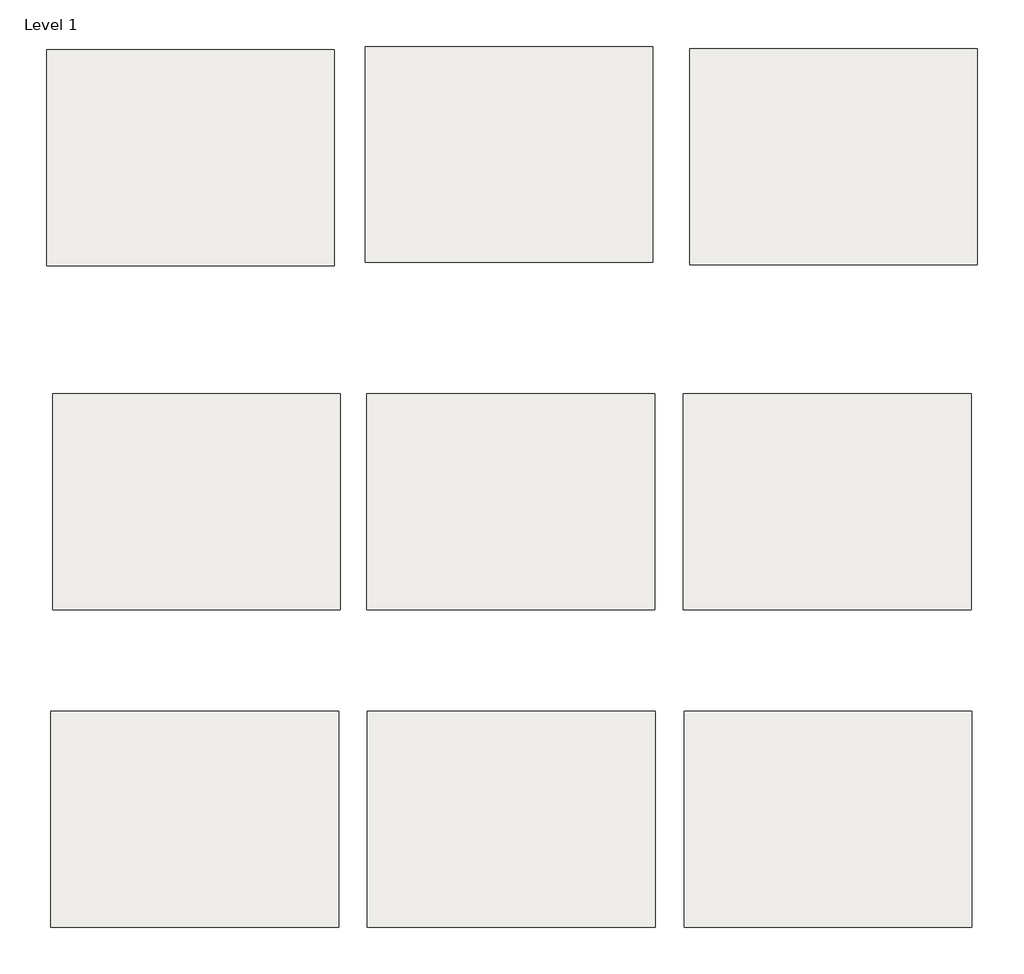
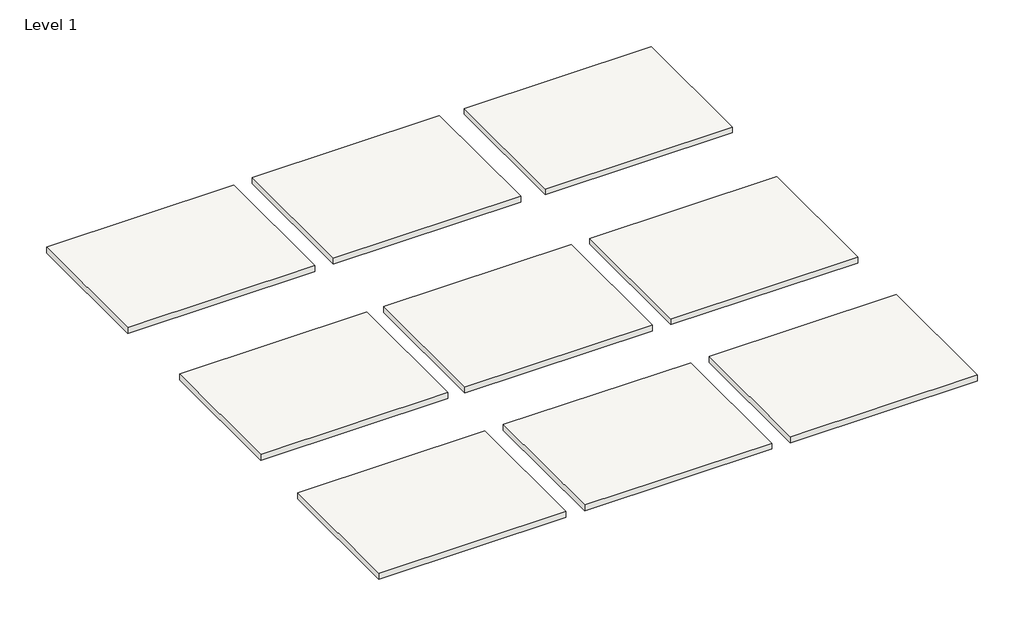
# One storey: 9 slabs.
"""IFC4 building model written with IfcOpenShell, lengths in millimetres."""

from ifc_helpers import new_model, si_unit, frame, origin, place, context, project, spatial, polyline, outline, extrude, element, save

model = new_model("IFC4")

# Units and contexts
model_context = context("Model", 3, world=origin())
ifc_project = project(units=[si_unit("LENGTHUNIT", "METRE", prefix="MILLI")], contexts=[model_context])

# Site, building, storey
site = spatial("IfcSite", under=ifc_project)
building = spatial("IfcBuilding", under=site)
storey = spatial("IfcBuildingStorey", under=building, Name="Level 1", Elevation=0.0)

# Slabs
placement = place(None, origin())
element("IfcSlab", 1, at=placement, inside=storey, context=model_context, shape_type="SweptSolid", body=[
    extrude(outline(polyline([(794.3310586, 16779.9814034), (794.3310586, 17065.7314034), (1175.3310586, 17065.7314034), (1175.3310586, 16779.9814034), (794.3310586, 16779.9814034)])), frame((0.0, 0.0, -12.7), z_axis=(0.0, 0.0, 1.0), x_axis=(1.0, 0.0, 0.0)), (0.0, 0.0, 1.0), 12.7),
])
element("IfcSlab", 2, at=placement, inside=storey, context=model_context, shape_type="SweptSolid", body=[
    extrude(outline(polyline([(1215.9295444, 16784.3710511), (1215.9295444, 17070.1210511), (1596.9295444, 17070.1210511), (1596.9295444, 16784.3710511), (1215.9295444, 16784.3710511)])), frame((0.0, 0.0, -12.7), z_axis=(0.0, 0.0, 1.0), x_axis=(1.0, 0.0, 0.0)), (0.0, 0.0, 1.0), 12.7),
])
element("IfcSlab", 3, at=placement, inside=storey, context=model_context, shape_type="SweptSolid", body=[
    extrude(outline(polyline([(1645.7000017, 16781.5343083), (1645.7000017, 17067.2843083), (2026.7000017, 17067.2843083), (2026.7000017, 16781.5343083), (1645.7000017, 16781.5343083)])), frame((0.0, 0.0, -12.7), z_axis=(0.0, 0.0, 1.0), x_axis=(1.0, 0.0, 0.0)), (0.0, 0.0, 1.0), 12.7),
])
element("IfcSlab", 4, at=placement, inside=storey, context=model_context, shape_type="SweptSolid", body=[
    extrude(outline(polyline([(802.3895178, 16324.6154458), (802.3895178, 16610.3654458), (1183.3895178, 16610.3654458), (1183.3895178, 16324.6154458), (802.3895178, 16324.6154458)])), frame((0.0, 0.0, -12.7), z_axis=(0.0, 0.0, 1.0), x_axis=(1.0, 0.0, 0.0)), (0.0, 0.0, 1.0), 12.7),
])
element("IfcSlab", 5, at=placement, inside=storey, context=model_context, shape_type="SweptSolid", body=[
    extrude(outline(polyline([(1218.3145178, 16324.6154458), (1218.3145178, 16610.3654458), (1599.3145178, 16610.3654458), (1599.3145178, 16324.6154458), (1218.3145178, 16324.6154458)])), frame((0.0, 0.0, -12.7), z_axis=(0.0, 0.0, 1.0), x_axis=(1.0, 0.0, 0.0)), (0.0, 0.0, 1.0), 12.7),
])
element("IfcSlab", 6, at=placement, inside=storey, context=model_context, shape_type="SweptSolid", body=[
    extrude(outline(polyline([(1637.4145178, 16324.6154458), (1637.4145178, 16610.3654458), (2018.4145178, 16610.3654458), (2018.4145178, 16324.6154458), (1637.4145178, 16324.6154458)])), frame((0.0, 0.0, -12.7), z_axis=(0.0, 0.0, 1.0), x_axis=(1.0, 0.0, 0.0)), (0.0, 0.0, 1.0), 12.7),
])
element("IfcSlab", 7, at=placement, inside=storey, context=model_context, shape_type="SweptSolid", body=[
    extrude(outline(polyline([(800.0465863, 15904.3051741), (800.0465863, 16190.0551741), (1181.0465863, 16190.0551741), (1181.0465863, 15904.3051741), (800.0465863, 15904.3051741)])), frame((0.0, 0.0, -12.7), z_axis=(0.0, 0.0, 1.0), x_axis=(1.0, 0.0, 0.0)), (0.0, 0.0, 1.0), 12.7),
])
element("IfcSlab", 8, at=placement, inside=storey, context=model_context, shape_type="SweptSolid", body=[
    extrude(outline(polyline([(1219.1465863, 15904.3051741), (1219.1465863, 16190.0551741), (1600.1465863, 16190.0551741), (1600.1465863, 15904.3051741), (1219.1465863, 15904.3051741)])), frame((0.0, 0.0, -12.7), z_axis=(0.0, 0.0, 1.0), x_axis=(1.0, 0.0, 0.0)), (0.0, 0.0, 1.0), 12.7),
])
element("IfcSlab", 9, at=placement, inside=storey, context=model_context, shape_type="SweptSolid", body=[
    extrude(outline(polyline([(1638.2465863, 15904.3051741), (1638.2465863, 16190.0551741), (2019.2465863, 16190.0551741), (2019.2465863, 15904.3051741), (1638.2465863, 15904.3051741)])), frame((0.0, 0.0, -12.7), z_axis=(0.0, 0.0, 1.0), x_axis=(1.0, 0.0, 0.0)), (0.0, 0.0, 1.0), 12.7),
])

save(model, "model.ifc")
